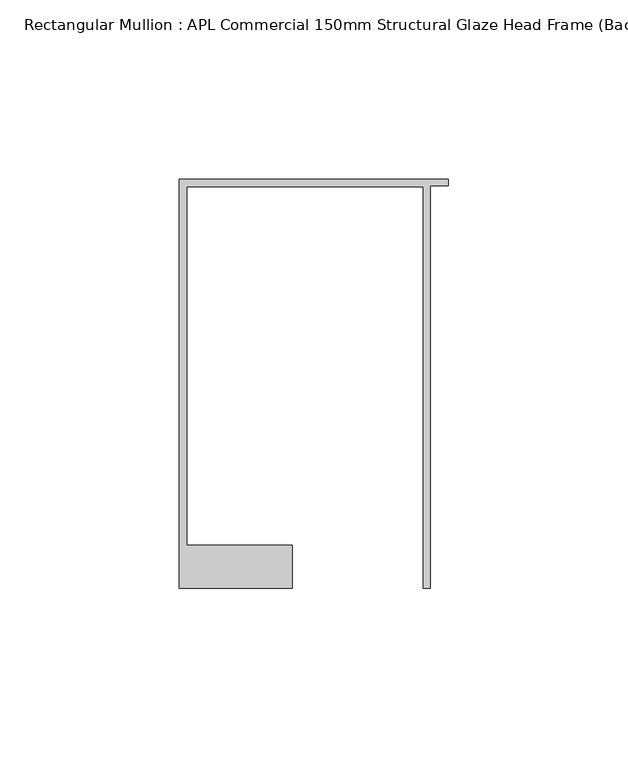
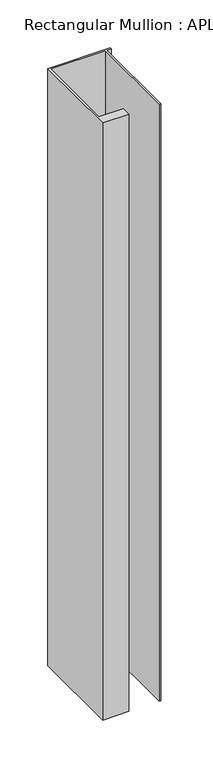
"""IFC4 building model written with IfcOpenShell, lengths in millimetres: member geometry, Rectangular Mullion : APL Commercial 150mm Structural Glaze Head Frame (Back)."""

from ifc_helpers import new_model, si_unit, frame, origin, place, context, project, spatial, polyline, outline, extrude, source, transform, mapped, element, save


def rectangular_mullion_apl_commercial_150mm_structural_glaze_0409034f(model_context):
    return source(origin(), model_context, "Body", "SweptSolid", [
        extrude(outline(polyline([(-75.0, 128.9993063), (0.0, 128.9993063), (0.0, 127.1993063), (-5.0, 127.1993063), (-5.0, 14.9998342), (-7.0, 14.9998342), (-7.0, 126.9993063), (-73.0, 126.9993063), (-73.0, 26.9997514), (-43.5000151, 26.9997514), (-43.5000151, 14.9998342), (-75.0, 14.9998342), (-75.0, 128.9993063)])), frame((0.0, 0.0, -760.1422625), z_axis=(0.0, 0.0, 1.0), x_axis=(1.0, 0.0, 0.0)), (0.0, 0.0, 1.0), 760.1422625),
    ])


if __name__ == "__main__":
    model = new_model("IFC4")
    model_context = context("Model", 3, world=origin())
    ifc_project = project(units=[si_unit("LENGTHUNIT", "METRE", prefix="MILLI")], contexts=[model_context])
    site = spatial("IfcSite", under=ifc_project)
    building = spatial("IfcBuilding", under=site)
    placement = place(None, origin())
    rectangular_mullion_apl_commercial_150mm_structural_glaze_shape = rectangular_mullion_apl_commercial_150mm_structural_glaze_0409034f(model_context)
    element("IfcMember", 1, ObjectType="Rectangular Mullion : APL Commercial 150mm Structural Glaze Head Frame (Back)", at=placement, inside=building, context=model_context, shape_type="MappedRepresentation", body=[
        mapped(rectangular_mullion_apl_commercial_150mm_structural_glaze_shape, transform((0.0, 0.0, 0.0), x_axis=(1.0, 0.0, 0.0), y_axis=(0.0, 1.0, 0.0), z_axis=(0.0, 0.0, 1.0))),
    ])
    save(model, "model.ifc")
